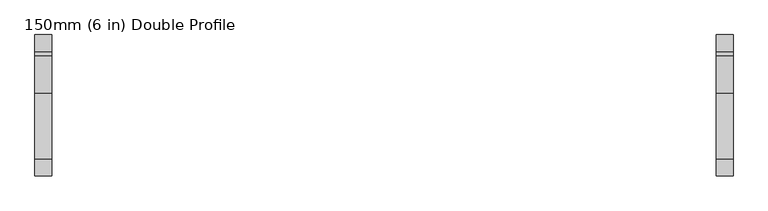
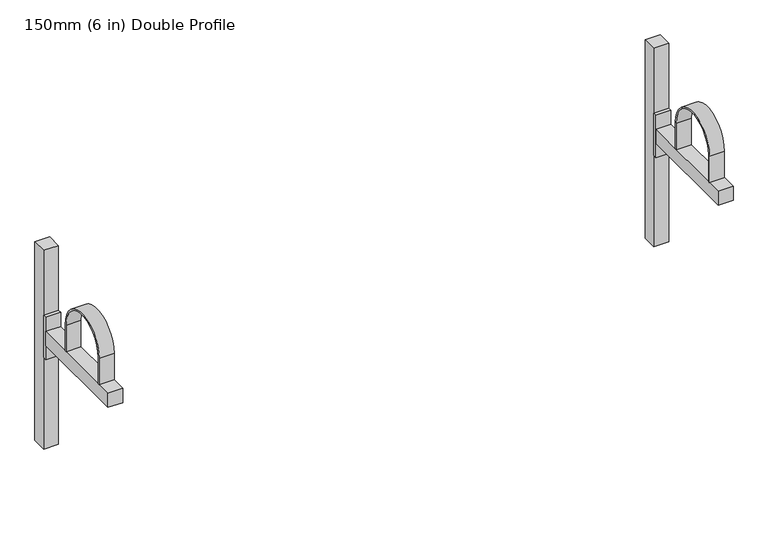
"""IFC4 building model written with IfcOpenShell, lengths in millimetres: proxy geometry, 150mm (6 in) Double Profile."""

from ifc_helpers import new_model, si_unit, point, frame, frame_2d, origin, origin_with_axes, place, context, project, spatial, polyline, circle_curve, trimmed, segment, composite_curve, outline, extrude, source, transform, mapped, element, save


def proxy_150mm_6_in_double_profile_aaf1a87b(model_context):
    return source(origin(), model_context, "Body", "SweptSolid", [
        extrude(outline(composite_curve([segment(polyline([(-295.0, 415.0), (-295.0, 340.0), (-299.0, 340.0), (-299.0, 415.0)]), True, "CONTINUOUS"), segment(trimmed(circle_curve(frame_2d((-220.0, 415.0)), 79.0), [point((-299.0, 415.0))], [point((-141.0, 415.0))], False, "CARTESIAN"), True, "CONTINUOUS"), segment(polyline([(-141.0, 415.0), (-141.0, 340.0), (-145.0, 340.0), (-145.0, 415.0)]), True, "CONTINUOUS"), segment(trimmed(circle_curve(frame_2d((-220.0, 415.0)), 75.0), [point((-145.0, 415.0))], [point((-295.0, 415.0))], True, "CARTESIAN"), True, "CONTINUOUS")], self_intersect=False)), frame((1620.0, 0.0, 0.0), z_axis=(1.0, 0.0, 0.0), x_axis=(0.0, 1.0, 0.0)), (0.0, 0.0, 1.0), 40.0),
        extrude(outline(polyline([(1660.0, -50.0), (1660.0, -340.0), (1620.0, -340.0), (1620.0, -50.0), (1660.0, -50.0)])), frame((0.0, 0.0, 300.0), z_axis=(0.0, 0.0, 1.0), x_axis=(1.0, 0.0, 0.0)), (0.0, 0.0, 1.0), 40.0),
        extrude(outline(polyline([(1660.0, -40.0), (1660.0, -50.0), (1620.0, -50.0), (1620.0, -40.0), (1660.0, -40.0)])), frame((0.0, 0.0, 260.0), z_axis=(0.0, 0.0, 1.0), x_axis=(1.0, 0.0, 0.0)), (0.0, 0.0, 1.0), 120.0),
        extrude(outline(polyline([(1660.0, 0.0), (1660.0, -40.0), (1620.0, -40.0), (1620.0, 0.0), (1660.0, 0.0)])), origin_with_axes(), (0.0, 0.0, 1.0), 564.1051687),
        extrude(outline(composite_curve([segment(polyline([(-295.0, 415.0), (-295.0, 340.0), (-299.0, 340.0), (-299.0, 415.0)]), True, "CONTINUOUS"), segment(trimmed(circle_curve(frame_2d((-220.0, 415.0)), 79.0), [point((-299.0, 415.0))], [point((-141.0, 415.0))], False, "CARTESIAN"), True, "CONTINUOUS"), segment(polyline([(-141.0, 415.0), (-141.0, 340.0), (-145.0, 340.0), (-145.0, 415.0)]), True, "CONTINUOUS"), segment(trimmed(circle_curve(frame_2d((-220.0, 415.0)), 75.0), [point((-145.0, 415.0))], [point((-295.0, 415.0))], True, "CARTESIAN"), True, "CONTINUOUS")], self_intersect=False)), frame((-20.0, 0.0, 0.0), z_axis=(1.0, 0.0, 0.0), x_axis=(0.0, 1.0, 0.0)), (0.0, 0.0, 1.0), 40.0),
        extrude(outline(polyline([(20.0, -50.0), (20.0, -340.0), (-20.0, -340.0), (-20.0, -50.0), (20.0, -50.0)])), frame((0.0, 0.0, 300.0), z_axis=(0.0, 0.0, 1.0), x_axis=(1.0, 0.0, 0.0)), (0.0, 0.0, 1.0), 40.0),
        extrude(outline(polyline([(20.0, -40.0), (20.0, -50.0), (-20.0, -50.0), (-20.0, -40.0), (20.0, -40.0)])), frame((0.0, 0.0, 260.0), z_axis=(0.0, 0.0, 1.0), x_axis=(1.0, 0.0, 0.0)), (0.0, 0.0, 1.0), 120.0),
        extrude(outline(polyline([(20.0, 0.0), (20.0, -40.0), (-20.0, -40.0), (-20.0, 0.0), (20.0, 0.0)])), origin_with_axes(), (0.0, 0.0, 1.0), 564.1051687),
    ])


if __name__ == "__main__":
    model = new_model("IFC4")
    model_context = context("Model", 3, world=origin())
    ifc_project = project(units=[si_unit("LENGTHUNIT", "METRE", prefix="MILLI")], contexts=[model_context])
    site = spatial("IfcSite", under=ifc_project)
    building = spatial("IfcBuilding", under=site)
    placement = place(None, origin())
    proxy_150mm_6_in_double_profile_shape = proxy_150mm_6_in_double_profile_aaf1a87b(model_context)
    element("IfcBuildingElementProxy", 1, Name="150mm (6 in) Double Profile", ObjectType="150mm (6 in) Double Profile", at=placement, inside=building, context=model_context, shape_type="MappedRepresentation", body=[
        mapped(proxy_150mm_6_in_double_profile_shape, transform((0.0, 0.0, 0.0), x_axis=(1.0, 0.0, 0.0), y_axis=(0.0, 1.0, 0.0), z_axis=(0.0, 0.0, 1.0))),
    ])
    save(model, "model.ifc")
